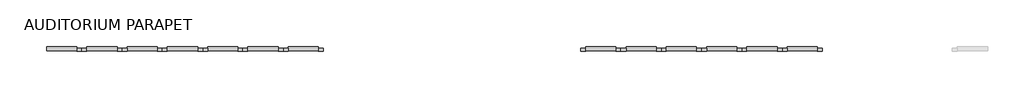
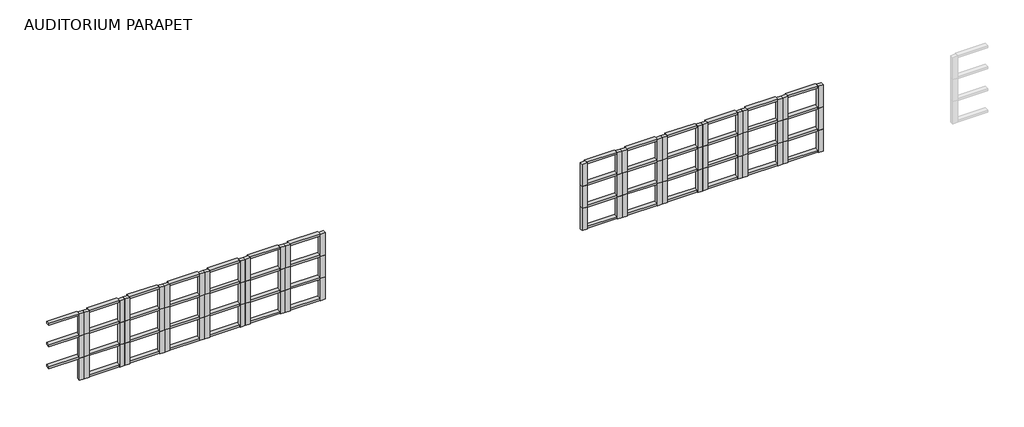
# One storey, part 4 of 6: 126 members.
"""IFC4 building model written with IfcOpenShell, lengths in millimetres."""

import ifcopenshell
import ifcopenshell.guid

model = None  # the IFC model being written
_history = None  # IfcOwnerHistory: only IFC2X3 demands one
_inside = {}  # id of a spatial element -> (the spatial element, [elements in it])
_under = {}  # id of a project, library or spatial element -> (it, [spatial elements below it])
_declared = {}  # id of a project -> (the project, [libraries it declares])
_typed = {}  # id of a type object -> (the type object, [elements of that type])
_made_of = {}  # id of a material, layer set ... -> (it, [elements and type objects made of it])


def new_model(schema):
    """Start an empty IFC model of exactly this schema.

    Asked for "IFC4X3", IfcOpenShell would pick the latest addendum, in which some entities
    have other attributes; the version numbers below select the first issue.
    IFC2X3 requires an IfcOwnerHistory on every rooted entity: one is made here for all.
    """
    global model, _history
    if schema == "IFC4X3":
        model = ifcopenshell.file(schema_version=(4, 3, 0, 0))
    else:
        model = ifcopenshell.file(schema=schema)
    _inside.clear()
    _under.clear()
    _declared.clear()
    _typed.clear()
    _made_of.clear()
    _history = None
    if model.schema == "IFC2X3":
        org = make("IfcOrganization", Name="unknown")
        user = make(
            "IfcPersonAndOrganization",
            ThePerson=make("IfcPerson", FamilyName="unknown"),
            TheOrganization=org,
        )
        app = make(
            "IfcApplication",
            ApplicationDeveloper=org,
            Version="unknown",
            ApplicationFullName="unknown",
            ApplicationIdentifier="unknown",
        )
        _history = make(
            "IfcOwnerHistory",
            OwningUser=user,
            OwningApplication=app,
            ChangeAction="ADDED",
            CreationDate=0,
        )
    return model


def make(cls, **values):
    """One entity of the class cls with the attributes given. An attribute that is None is left unset."""
    return model.create_entity(
        cls, **{name: value for name, value in values.items() if value is not None}
    )


def rooted(cls, **values):
    """An entity with a GlobalId (a new one), such as an element, a storey or a relation."""
    return make(cls, GlobalId=ifcopenshell.guid.new(), OwnerHistory=_history, **values)


def si_unit(unit_type, name, prefix=None):
    """IfcSIUnit, for example si_unit("LENGTHUNIT", "METRE", prefix="MILLI")."""
    return make("IfcSIUnit", UnitType=unit_type, Prefix=prefix, Name=name)


def assignment(units):
    """IfcUnitAssignment: the units of a project."""
    return None if units is None else make("IfcUnitAssignment", Units=units)


def point(xyz):
    """IfcCartesianPoint."""
    return None if xyz is None else make("IfcCartesianPoint", Coordinates=xyz)


def direction(xyz):
    """IfcDirection."""
    return None if xyz is None else make("IfcDirection", DirectionRatios=xyz)


def frame(location, z_axis=None, x_axis=None):
    """IfcAxis2Placement3D, a coordinate frame: its origin and axes. An axis left out is left unset."""
    return make(
        "IfcAxis2Placement3D",
        Location=point(location),
        Axis=direction(z_axis),
        RefDirection=direction(x_axis),
    )


def origin():
    """The frame at (0, 0, 0) with its axes left unset."""
    return frame((0.0, 0.0, 0.0))


def place(relative_to, where):
    """IfcLocalPlacement: puts the frame where relative to a parent placement (None: the world)."""
    return make(
        "IfcLocalPlacement", PlacementRelTo=relative_to, RelativePlacement=where
    )


def context(
    kind, dimensions, precision=None, world=None, true_north=None, identifier=None
):
    """IfcGeometricRepresentationContext, for example the 3D "Model" context."""
    return make(
        "IfcGeometricRepresentationContext",
        ContextIdentifier=identifier,
        ContextType=kind,
        CoordinateSpaceDimension=dimensions,
        Precision=precision,
        WorldCoordinateSystem=world,
        TrueNorth=true_north,
    )


def project(units=None, contexts=None):
    """IfcProject with its units and contexts."""
    return rooted(
        "IfcProject",
        Name="project",
        RepresentationContexts=contexts,
        UnitsInContext=assignment(units),
    )


def spatial(cls, under=None, at=None, **own):
    """A site, building, storey or space (cls), placed at a placement, below another one or the project."""
    s = rooted(cls, ObjectPlacement=at, **own)
    if under is not None:
        _under.setdefault(under.id(), (under, []))[1].append(s)
    return s


def polyline(points):
    """IfcPolyline through the points."""
    return make("IfcPolyline", Points=[point(p) for p in points])


def outline(outer, holes=None, kind="AREA"):
    """IfcArbitraryClosedProfileDef: a profile drawn as a closed curve; with holes, ...WithVoids."""
    if holes is None:
        return make("IfcArbitraryClosedProfileDef", ProfileType=kind, OuterCurve=outer)
    return make(
        "IfcArbitraryProfileDefWithVoids",
        ProfileType=kind,
        OuterCurve=outer,
        InnerCurves=holes,
    )


def extrude(swept, where, along, depth):
    """IfcExtrudedAreaSolid: the profile swept, set in the frame where, extruded along a direction by depth."""
    return make(
        "IfcExtrudedAreaSolid",
        SweptArea=swept,
        Position=where,
        ExtrudedDirection=direction(along),
        Depth=depth,
    )


def shape(context_of_items, identifier, shape_type, items):
    """IfcShapeRepresentation: the items that make up one representation, for example the "Body"."""
    return make(
        "IfcShapeRepresentation",
        ContextOfItems=context_of_items,
        RepresentationIdentifier=identifier,
        RepresentationType=shape_type,
        Items=items,
    )


def source(mapping_origin, context_of_items, identifier, shape_type, items):
    """IfcRepresentationMap: a shape defined once, which mapped items show again and again."""
    return make(
        "IfcRepresentationMap",
        MappingOrigin=mapping_origin,
        MappedRepresentation=shape(context_of_items, identifier, shape_type, items),
    )


def transform(
    local_origin,
    x_axis=None,
    y_axis=None,
    z_axis=None,
    scale=None,
    scale2=None,
    scale3=None,
    uniform=True,
):
    """IfcCartesianTransformationOperator3D, or its non-uniform kind. x_axis, y_axis, z_axis: its Axis1, 2, 3."""
    if uniform:
        return make(
            "IfcCartesianTransformationOperator3D",
            Axis1=direction(x_axis),
            Axis2=direction(y_axis),
            LocalOrigin=point(local_origin),
            Scale=scale,
            Axis3=direction(z_axis),
        )
    return make(
        "IfcCartesianTransformationOperator3DnonUniform",
        Axis1=direction(x_axis),
        Axis2=direction(y_axis),
        LocalOrigin=point(local_origin),
        Scale=scale,
        Axis3=direction(z_axis),
        Scale2=scale2,
        Scale3=scale3,
    )


def mapped(mapping_source, mapping_target):
    """IfcMappedItem: shows the shape of a source again, moved by a transform."""
    return make(
        "IfcMappedItem", MappingSource=mapping_source, MappingTarget=mapping_target
    )


def made_of(thing, what):
    """Note that an element or type object is made of a material, layer set ...; save() writes the relation."""
    if what is not None:
        _made_of.setdefault(what.id(), (what, []))[1].append(thing)
    return thing


def element(
    cls,
    number,
    at=None,
    inside=None,
    cuts=None,
    type_object=None,
    material=None,
    context=None,
    identifier="Body",
    shape_type=None,
    held_by="IfcProductDefinitionShape",
    body=None,
    shapes=None,
    **own,
):
    """One element of the class cls, such as IfcWall. Its Tag is "e" and its number.

    at: its placement. inside: the storey or other place that contains it. cuts: it is an
    opening in that element (IfcRelVoidsElement). A single representation is given by context,
    identifier, shape_type and body (its items); several are given by shapes. held_by: the class
    of the entity that holds the representations. save() writes the other relations.
    """
    e = rooted(cls, Tag="e%d" % number, ObjectPlacement=at, **own)
    if body is not None:
        shapes = [shape(context, identifier, shape_type, body)]
    if shapes is not None:
        e.Representation = make(held_by, Representations=shapes)
    if inside is not None:
        _inside.setdefault(inside.id(), (inside, []))[1].append(e)
    if cuts is not None:
        rooted(
            "IfcRelVoidsElement", RelatingBuildingElement=cuts, RelatedOpeningElement=e
        )
    if type_object is not None:
        _typed.setdefault(type_object.id(), (type_object, []))[1].append(e)
    return made_of(e, material)


def aggregate(whole, parts):
    """IfcRelAggregates: a whole, such as a stair, and the parts it consists of."""
    return rooted("IfcRelAggregates", RelatingObject=whole, RelatedObjects=parts)


def save(model, path):
    """Write the relations noted so far, then the file.

    IfcRelAggregates (storeys below a building ...), IfcRelContainedInSpatialStructure (elements
    in a storey), IfcRelDefinesByType, IfcRelAssociatesMaterial and IfcRelDeclares: one each for
    every whole, place, type object, material and project.
    """
    for whole, parts in _under.values():
        aggregate(whole, parts)
    for where, things in _inside.values():
        rooted(
            "IfcRelContainedInSpatialStructure",
            RelatedElements=things,
            RelatingStructure=where,
        )
    for kind, things in _typed.values():
        rooted("IfcRelDefinesByType", RelatedObjects=things, RelatingType=kind)
    for what, things in _made_of.values():
        rooted("IfcRelAssociatesMaterial", RelatedObjects=things, RelatingMaterial=what)
    for by, libraries in _declared.values():
        rooted("IfcRelDeclares", RelatingContext=by, RelatedDefinitions=libraries)
    model.write(path)


def rectangular_mullion_ace0bac6(model_context):
    return source(origin(), model_context, "Body", "SweptSolid", [
        extrude(outline(polyline([(0.0, 19.05), (0.0, -82.55), (-152.4, -82.55), (-152.4, 19.05), (0.0, 19.05)])), frame((0.0, 0.0, -711.2), z_axis=(0.0, 0.0, 1.0), x_axis=(1.0, 0.0, 0.0)), (0.0, 0.0, 1.0), 711.2),
    ])


def rectangular_mullion_13affec1(model_context):
    return source(origin(), model_context, "Body", "SweptSolid", [
        extrude(outline(polyline([(0.0, 82.55), (0.0, -19.05), (-152.4, -19.05), (-152.4, 82.55), (0.0, 82.55)])), frame((0.0, 0.0, -711.2), z_axis=(0.0, 0.0, 1.0), x_axis=(1.0, 0.0, 0.0)), (0.0, 0.0, 1.0), 711.2),
    ])


def member_73c23c35(model_context):
    return source(origin(), model_context, "Body", "SweptSolid", [
        extrude(outline(polyline([(0.0, 63.5), (0.0, -63.5), (-63.5, -63.5), (-63.5, 63.5), (0.0, 63.5)])), frame((0.0, 0.0, -914.4), z_axis=(0.0, 0.0, 1.0), x_axis=(1.0, 0.0, 0.0)), (0.0, 0.0, 1.0), 914.4),
    ])


def member_410c6227(model_context):
    return source(origin(), model_context, "Body", "SweptSolid", [
        extrude(outline(polyline([(31.75, 63.5), (31.75, -63.5), (-31.75, -63.5), (-31.75, 63.5), (31.75, 63.5)])), frame((0.0, 0.0, -914.4), z_axis=(0.0, 0.0, 1.0), x_axis=(1.0, 0.0, 0.0)), (0.0, 0.0, 1.0), 914.4),
    ])


model = new_model("IFC4")

# Units and contexts
model_context = context("Model", 3, world=origin())
ifc_project = project(units=[si_unit("LENGTHUNIT", "METRE", prefix="MILLI")], contexts=[model_context])

# Site, building, storey
site = spatial("IfcSite", under=ifc_project)
building = spatial("IfcBuilding", under=site)
storey = spatial("IfcBuildingStorey", under=building, Name="AUDITORIUM PARAPET", Elevation=6858.0)

# Members
placement = place(None, origin())
rectangular_mullion_shape = rectangular_mullion_ace0bac6(model_context)
element("IfcMember", 1, ObjectType="Rectangular Mullion", at=placement, inside=storey, context=model_context, shape_type="MappedRepresentation", body=[
    mapped(rectangular_mullion_shape, transform((-188430.2025181, 208864.5706745, 381.0), x_axis=(-1.0, 0.0, 0.0), y_axis=(0.0, 1.0, 0.0), z_axis=(0.0, 0.0, -1.0))),
])
element("IfcMember", 2, ObjectType="Rectangular Mullion", at=placement, inside=storey, context=model_context, shape_type="MappedRepresentation", body=[
    mapped(rectangular_mullion_shape, transform((-190868.6025181, 208864.5706745, 381.0), x_axis=(-1.0, 0.0, 0.0), y_axis=(0.0, 1.0, 0.0), z_axis=(0.0, 0.0, -1.0))),
])
element("IfcMember", 3, ObjectType="Rectangular Mullion", at=placement, inside=storey, context=model_context, shape_type="MappedRepresentation", body=[
    mapped(rectangular_mullion_shape, transform((-193307.0025181, 208864.5706745, 381.0), x_axis=(-1.0, 0.0, 0.0), y_axis=(0.0, 1.0, 0.0), z_axis=(0.0, 0.0, -1.0))),
])
element("IfcMember", 4, ObjectType="Rectangular Mullion", at=placement, inside=storey, context=model_context, shape_type="MappedRepresentation", body=[
    mapped(rectangular_mullion_shape, transform((-205978.0344362, 208864.5706745, 914.4), x_axis=(-1.0, 0.0, 0.0), y_axis=(0.0, 1.0, 0.0), z_axis=(0.0, 0.0, -1.0))),
])
element("IfcMember", 5, ObjectType="Rectangular Mullion", at=placement, inside=storey, context=model_context, shape_type="MappedRepresentation", body=[
    mapped(rectangular_mullion_shape, transform((-203539.6344362, 208864.5706745, 914.4), x_axis=(-1.0, 0.0, 0.0), y_axis=(0.0, 1.0, 0.0), z_axis=(0.0, 0.0, -1.0))),
])
element("IfcMember", 6, ObjectType="Rectangular Mullion", at=placement, inside=storey, context=model_context, shape_type="MappedRepresentation", body=[
    mapped(rectangular_mullion_shape, transform((-208416.4344362, 208864.5706745, 914.4), x_axis=(-1.0, 0.0, 0.0), y_axis=(0.0, 1.0, 0.0), z_axis=(0.0, 0.0, -1.0))),
])
element("IfcMember", 7, ObjectType="Rectangular Mullion", at=placement, inside=storey, context=model_context, shape_type="MappedRepresentation", body=[
    mapped(rectangular_mullion_shape, transform((-187211.0025181, 208864.5706745, 2514.6), x_axis=(1.0, 0.0, 0.0), y_axis=(0.0, 1.0, 0.0), z_axis=(0.0, 0.0, 1.0))),
])
element("IfcMember", 8, ObjectType="Rectangular Mullion", at=placement, inside=storey, context=model_context, shape_type="MappedRepresentation", body=[
    mapped(rectangular_mullion_shape, transform((-189649.4025181, 208864.5706745, 2514.6), x_axis=(1.0, 0.0, 0.0), y_axis=(0.0, 1.0, 0.0), z_axis=(0.0, 0.0, 1.0))),
])
element("IfcMember", 9, ObjectType="Rectangular Mullion", at=placement, inside=storey, context=model_context, shape_type="MappedRepresentation", body=[
    mapped(rectangular_mullion_shape, transform((-192087.8025181, 208864.5706745, 2514.6), x_axis=(1.0, 0.0, 0.0), y_axis=(0.0, 1.0, 0.0), z_axis=(0.0, 0.0, 1.0))),
])
element("IfcMember", 10, ObjectType="Rectangular Mullion", at=placement, inside=storey, context=model_context, shape_type="MappedRepresentation", body=[
    mapped(rectangular_mullion_shape, transform((-204758.8344362, 208864.5706745, 3048.0), x_axis=(1.0, 0.0, 0.0), y_axis=(0.0, 1.0, 0.0), z_axis=(0.0, 0.0, 1.0))),
])
element("IfcMember", 11, ObjectType="Rectangular Mullion", at=placement, inside=storey, context=model_context, shape_type="MappedRepresentation", body=[
    mapped(rectangular_mullion_shape, transform((-202320.4344362, 208864.5706745, 3048.0), x_axis=(1.0, 0.0, 0.0), y_axis=(0.0, 1.0, 0.0), z_axis=(0.0, 0.0, 1.0))),
])
element("IfcMember", 12, ObjectType="Rectangular Mullion", at=placement, inside=storey, context=model_context, shape_type="MappedRepresentation", body=[
    mapped(rectangular_mullion_shape, transform((-207197.2344362, 208864.5706745, 3048.0), x_axis=(1.0, 0.0, 0.0), y_axis=(0.0, 1.0, 0.0), z_axis=(0.0, 0.0, 1.0))),
])
rectangular_mullion_2_shape = rectangular_mullion_13affec1(model_context)
element("IfcMember", 13, ObjectType="Rectangular Mullion", at=placement, inside=storey, context=model_context, shape_type="MappedRepresentation", body=[
    mapped(rectangular_mullion_2_shape, transform((-188430.2025181, 208864.5706745, 381.0), x_axis=(1.0, 0.0, 0.0), y_axis=(0.0, -1.0, 0.0), z_axis=(0.0, 0.0, -1.0))),
])
element("IfcMember", 14, ObjectType="Rectangular Mullion", at=placement, inside=storey, context=model_context, shape_type="MappedRepresentation", body=[
    mapped(rectangular_mullion_2_shape, transform((-190868.6025181, 208864.5706745, 381.0), x_axis=(1.0, 0.0, 0.0), y_axis=(0.0, -1.0, 0.0), z_axis=(0.0, 0.0, -1.0))),
])
element("IfcMember", 15, ObjectType="Rectangular Mullion", at=placement, inside=storey, context=model_context, shape_type="MappedRepresentation", body=[
    mapped(rectangular_mullion_2_shape, transform((-185991.8025181, 208864.5706745, 381.0), x_axis=(1.0, 0.0, 0.0), y_axis=(0.0, -1.0, 0.0), z_axis=(0.0, 0.0, -1.0))),
])
element("IfcMember", 16, ObjectType="Rectangular Mullion", at=placement, inside=storey, context=model_context, shape_type="MappedRepresentation", body=[
    mapped(rectangular_mullion_2_shape, transform((-205978.0344362, 208864.5706745, 914.4), x_axis=(1.0, 0.0, 0.0), y_axis=(0.0, -1.0, 0.0), z_axis=(0.0, 0.0, -1.0))),
])
element("IfcMember", 17, ObjectType="Rectangular Mullion", at=placement, inside=storey, context=model_context, shape_type="MappedRepresentation", body=[
    mapped(rectangular_mullion_2_shape, transform((-203539.6344362, 208864.5706745, 914.4), x_axis=(1.0, 0.0, 0.0), y_axis=(0.0, -1.0, 0.0), z_axis=(0.0, 0.0, -1.0))),
])
element("IfcMember", 18, ObjectType="Rectangular Mullion", at=placement, inside=storey, context=model_context, shape_type="MappedRepresentation", body=[
    mapped(rectangular_mullion_2_shape, transform((-201101.2344362, 208864.5706745, 914.4), x_axis=(1.0, 0.0, 0.0), y_axis=(0.0, -1.0, 0.0), z_axis=(0.0, 0.0, -1.0))),
])
element("IfcMember", 19, ObjectType="Rectangular Mullion", at=placement, inside=storey, context=model_context, shape_type="MappedRepresentation", body=[
    mapped(rectangular_mullion_2_shape, transform((-208416.4344362, 208864.5706745, 914.4), x_axis=(1.0, 0.0, 0.0), y_axis=(0.0, -1.0, 0.0), z_axis=(0.0, 0.0, -1.0))),
])
element("IfcMember", 20, ObjectType="Rectangular Mullion", at=placement, inside=storey, context=model_context, shape_type="MappedRepresentation", body=[
    mapped(rectangular_mullion_2_shape, transform((-189649.4025181, 208864.5706745, 2514.6), x_axis=(-1.0, 0.0, 0.0), y_axis=(0.0, -1.0, 0.0), z_axis=(0.0, 0.0, 1.0))),
])
element("IfcMember", 21, ObjectType="Rectangular Mullion", at=placement, inside=storey, context=model_context, shape_type="MappedRepresentation", body=[
    mapped(rectangular_mullion_2_shape, transform((-192087.8025181, 208864.5706745, 2514.6), x_axis=(-1.0, 0.0, 0.0), y_axis=(0.0, -1.0, 0.0), z_axis=(0.0, 0.0, 1.0))),
])
element("IfcMember", 22, ObjectType="Rectangular Mullion", at=placement, inside=storey, context=model_context, shape_type="MappedRepresentation", body=[
    mapped(rectangular_mullion_2_shape, transform((-187211.0025181, 208864.5706745, 2514.6), x_axis=(-1.0, 0.0, 0.0), y_axis=(0.0, -1.0, 0.0), z_axis=(0.0, 0.0, 1.0))),
])
element("IfcMember", 23, ObjectType="Rectangular Mullion", at=placement, inside=storey, context=model_context, shape_type="MappedRepresentation", body=[
    mapped(rectangular_mullion_2_shape, transform((-207197.2344362, 208864.5706745, 3048.0), x_axis=(-1.0, 0.0, 0.0), y_axis=(0.0, -1.0, 0.0), z_axis=(0.0, 0.0, 1.0))),
])
element("IfcMember", 24, ObjectType="Rectangular Mullion", at=placement, inside=storey, context=model_context, shape_type="MappedRepresentation", body=[
    mapped(rectangular_mullion_2_shape, transform((-204758.8344362, 208864.5706745, 3048.0), x_axis=(-1.0, 0.0, 0.0), y_axis=(0.0, -1.0, 0.0), z_axis=(0.0, 0.0, 1.0))),
])
element("IfcMember", 25, ObjectType="Rectangular Mullion", at=placement, inside=storey, context=model_context, shape_type="MappedRepresentation", body=[
    mapped(rectangular_mullion_2_shape, transform((-202320.4344362, 208864.5706745, 3048.0), x_axis=(-1.0, 0.0, 0.0), y_axis=(0.0, -1.0, 0.0), z_axis=(0.0, 0.0, 1.0))),
])
element("IfcMember", 26, ObjectType="Rectangular Mullion", at=placement, inside=storey, context=model_context, shape_type="MappedRepresentation", body=[
    mapped(rectangular_mullion_2_shape, transform((-190868.6025181, 208864.5706745, 1803.4), x_axis=(1.0, 0.0, 0.0), y_axis=(0.0, -1.0, 0.0), z_axis=(0.0, 0.0, -1.0))),
])
element("IfcMember", 27, ObjectType="Rectangular Mullion", at=placement, inside=storey, context=model_context, shape_type="MappedRepresentation", body=[
    mapped(rectangular_mullion_2_shape, transform((-188430.2025181, 208864.5706745, 1803.4), x_axis=(1.0, 0.0, 0.0), y_axis=(0.0, -1.0, 0.0), z_axis=(0.0, 0.0, -1.0))),
])
element("IfcMember", 28, ObjectType="Rectangular Mullion", at=placement, inside=storey, context=model_context, shape_type="MappedRepresentation", body=[
    mapped(rectangular_mullion_2_shape, transform((-192087.8025181, 208864.5706745, 1803.4), x_axis=(-1.0, 0.0, 0.0), y_axis=(0.0, -1.0, 0.0), z_axis=(0.0, 0.0, 1.0))),
])
element("IfcMember", 29, ObjectType="Rectangular Mullion", at=placement, inside=storey, context=model_context, shape_type="MappedRepresentation", body=[
    mapped(rectangular_mullion_2_shape, transform((-189649.4025181, 208864.5706745, 1803.4), x_axis=(-1.0, 0.0, 0.0), y_axis=(0.0, -1.0, 0.0), z_axis=(0.0, 0.0, 1.0))),
])
element("IfcMember", 30, ObjectType="Rectangular Mullion", at=placement, inside=storey, context=model_context, shape_type="MappedRepresentation", body=[
    mapped(rectangular_mullion_2_shape, transform((-190868.6025181, 208864.5706745, 1092.2), x_axis=(1.0, 0.0, 0.0), y_axis=(0.0, -1.0, 0.0), z_axis=(0.0, 0.0, -1.0))),
])
element("IfcMember", 31, ObjectType="Rectangular Mullion", at=placement, inside=storey, context=model_context, shape_type="MappedRepresentation", body=[
    mapped(rectangular_mullion_2_shape, transform((-188430.2025181, 208864.5706745, 1092.2), x_axis=(1.0, 0.0, 0.0), y_axis=(0.0, -1.0, 0.0), z_axis=(0.0, 0.0, -1.0))),
])
element("IfcMember", 32, ObjectType="Rectangular Mullion", at=placement, inside=storey, context=model_context, shape_type="MappedRepresentation", body=[
    mapped(rectangular_mullion_2_shape, transform((-192087.8025181, 208864.5706745, 1092.2), x_axis=(-1.0, 0.0, 0.0), y_axis=(0.0, -1.0, 0.0), z_axis=(0.0, 0.0, 1.0))),
])
element("IfcMember", 33, ObjectType="Rectangular Mullion", at=placement, inside=storey, context=model_context, shape_type="MappedRepresentation", body=[
    mapped(rectangular_mullion_2_shape, transform((-189649.4025181, 208864.5706745, 1092.2), x_axis=(-1.0, 0.0, 0.0), y_axis=(0.0, -1.0, 0.0), z_axis=(0.0, 0.0, 1.0))),
])
element("IfcMember", 34, ObjectType="Rectangular Mullion", at=placement, inside=storey, context=model_context, shape_type="MappedRepresentation", body=[
    mapped(rectangular_mullion_shape, transform((-193307.0025181, 208864.5706745, 1803.4), x_axis=(-1.0, 0.0, 0.0), y_axis=(0.0, 1.0, 0.0), z_axis=(0.0, 0.0, -1.0))),
])
element("IfcMember", 35, ObjectType="Rectangular Mullion", at=placement, inside=storey, context=model_context, shape_type="MappedRepresentation", body=[
    mapped(rectangular_mullion_shape, transform((-190868.6025181, 208864.5706745, 1803.4), x_axis=(-1.0, 0.0, 0.0), y_axis=(0.0, 1.0, 0.0), z_axis=(0.0, 0.0, -1.0))),
])
element("IfcMember", 36, ObjectType="Rectangular Mullion", at=placement, inside=storey, context=model_context, shape_type="MappedRepresentation", body=[
    mapped(rectangular_mullion_shape, transform((-188430.2025181, 208864.5706745, 1803.4), x_axis=(-1.0, 0.0, 0.0), y_axis=(0.0, 1.0, 0.0), z_axis=(0.0, 0.0, -1.0))),
])
element("IfcMember", 37, ObjectType="Rectangular Mullion", at=placement, inside=storey, context=model_context, shape_type="MappedRepresentation", body=[
    mapped(rectangular_mullion_shape, transform((-208416.4344362, 208864.5706745, 2336.8), x_axis=(-1.0, 0.0, 0.0), y_axis=(0.0, 1.0, 0.0), z_axis=(0.0, 0.0, -1.0))),
])
element("IfcMember", 38, ObjectType="Rectangular Mullion", at=placement, inside=storey, context=model_context, shape_type="MappedRepresentation", body=[
    mapped(rectangular_mullion_shape, transform((-192087.8025181, 208864.5706745, 1803.4), x_axis=(1.0, 0.0, 0.0), y_axis=(0.0, 1.0, 0.0), z_axis=(0.0, 0.0, 1.0))),
])
element("IfcMember", 39, ObjectType="Rectangular Mullion", at=placement, inside=storey, context=model_context, shape_type="MappedRepresentation", body=[
    mapped(rectangular_mullion_shape, transform((-189649.4025181, 208864.5706745, 1803.4), x_axis=(1.0, 0.0, 0.0), y_axis=(0.0, 1.0, 0.0), z_axis=(0.0, 0.0, 1.0))),
])
element("IfcMember", 40, ObjectType="Rectangular Mullion", at=placement, inside=storey, context=model_context, shape_type="MappedRepresentation", body=[
    mapped(rectangular_mullion_shape, transform((-187211.0025181, 208864.5706745, 1803.4), x_axis=(1.0, 0.0, 0.0), y_axis=(0.0, 1.0, 0.0), z_axis=(0.0, 0.0, 1.0))),
])
element("IfcMember", 41, ObjectType="Rectangular Mullion", at=placement, inside=storey, context=model_context, shape_type="MappedRepresentation", body=[
    mapped(rectangular_mullion_shape, transform((-207197.2344362, 208864.5706745, 2336.8), x_axis=(1.0, 0.0, 0.0), y_axis=(0.0, 1.0, 0.0), z_axis=(0.0, 0.0, 1.0))),
])
element("IfcMember", 42, ObjectType="Rectangular Mullion", at=placement, inside=storey, context=model_context, shape_type="MappedRepresentation", body=[
    mapped(rectangular_mullion_shape, transform((-193307.0025181, 208864.5706745, 1092.2), x_axis=(-1.0, 0.0, 0.0), y_axis=(0.0, 1.0, 0.0), z_axis=(0.0, 0.0, -1.0))),
])
element("IfcMember", 43, ObjectType="Rectangular Mullion", at=placement, inside=storey, context=model_context, shape_type="MappedRepresentation", body=[
    mapped(rectangular_mullion_shape, transform((-190868.6025181, 208864.5706745, 1092.2), x_axis=(-1.0, 0.0, 0.0), y_axis=(0.0, 1.0, 0.0), z_axis=(0.0, 0.0, -1.0))),
])
element("IfcMember", 44, ObjectType="Rectangular Mullion", at=placement, inside=storey, context=model_context, shape_type="MappedRepresentation", body=[
    mapped(rectangular_mullion_shape, transform((-188430.2025181, 208864.5706745, 1092.2), x_axis=(-1.0, 0.0, 0.0), y_axis=(0.0, 1.0, 0.0), z_axis=(0.0, 0.0, -1.0))),
])
element("IfcMember", 45, ObjectType="Rectangular Mullion", at=placement, inside=storey, context=model_context, shape_type="MappedRepresentation", body=[
    mapped(rectangular_mullion_shape, transform((-208416.4344362, 208864.5706745, 1625.6), x_axis=(-1.0, 0.0, 0.0), y_axis=(0.0, 1.0, 0.0), z_axis=(0.0, 0.0, -1.0))),
])
element("IfcMember", 46, ObjectType="Rectangular Mullion", at=placement, inside=storey, context=model_context, shape_type="MappedRepresentation", body=[
    mapped(rectangular_mullion_shape, transform((-192087.8025181, 208864.5706745, 1092.2), x_axis=(1.0, 0.0, 0.0), y_axis=(0.0, 1.0, 0.0), z_axis=(0.0, 0.0, 1.0))),
])
element("IfcMember", 47, ObjectType="Rectangular Mullion", at=placement, inside=storey, context=model_context, shape_type="MappedRepresentation", body=[
    mapped(rectangular_mullion_shape, transform((-189649.4025181, 208864.5706745, 1092.2), x_axis=(1.0, 0.0, 0.0), y_axis=(0.0, 1.0, 0.0), z_axis=(0.0, 0.0, 1.0))),
])
element("IfcMember", 48, ObjectType="Rectangular Mullion", at=placement, inside=storey, context=model_context, shape_type="MappedRepresentation", body=[
    mapped(rectangular_mullion_shape, transform((-187211.0025181, 208864.5706745, 1092.2), x_axis=(1.0, 0.0, 0.0), y_axis=(0.0, 1.0, 0.0), z_axis=(0.0, 0.0, 1.0))),
])
element("IfcMember", 49, ObjectType="Rectangular Mullion", at=placement, inside=storey, context=model_context, shape_type="MappedRepresentation", body=[
    mapped(rectangular_mullion_shape, transform((-207197.2344362, 208864.5706745, 1625.6), x_axis=(1.0, 0.0, 0.0), y_axis=(0.0, 1.0, 0.0), z_axis=(0.0, 0.0, 1.0))),
])
element("IfcMember", 50, ObjectType="Rectangular Mullion", at=placement, inside=storey, context=model_context, shape_type="MappedRepresentation", body=[
    mapped(rectangular_mullion_shape, transform((-203539.6344362, 208864.5706745, 2336.8), x_axis=(-1.0, 0.0, 0.0), y_axis=(0.0, 1.0, 0.0), z_axis=(0.0, 0.0, -1.0))),
])
element("IfcMember", 51, ObjectType="Rectangular Mullion", at=placement, inside=storey, context=model_context, shape_type="MappedRepresentation", body=[
    mapped(rectangular_mullion_shape, transform((-205978.0344362, 208864.5706745, 2336.8), x_axis=(-1.0, 0.0, 0.0), y_axis=(0.0, 1.0, 0.0), z_axis=(0.0, 0.0, -1.0))),
])
element("IfcMember", 52, ObjectType="Rectangular Mullion", at=placement, inside=storey, context=model_context, shape_type="MappedRepresentation", body=[
    mapped(rectangular_mullion_shape, transform((-202320.4344362, 208864.5706745, 2336.8), x_axis=(1.0, 0.0, 0.0), y_axis=(0.0, 1.0, 0.0), z_axis=(0.0, 0.0, 1.0))),
])
element("IfcMember", 53, ObjectType="Rectangular Mullion", at=placement, inside=storey, context=model_context, shape_type="MappedRepresentation", body=[
    mapped(rectangular_mullion_shape, transform((-204758.8344362, 208864.5706745, 2336.8), x_axis=(1.0, 0.0, 0.0), y_axis=(0.0, 1.0, 0.0), z_axis=(0.0, 0.0, 1.0))),
])
element("IfcMember", 54, ObjectType="Rectangular Mullion", at=placement, inside=storey, context=model_context, shape_type="MappedRepresentation", body=[
    mapped(rectangular_mullion_shape, transform((-203539.6344362, 208864.5706745, 1625.6), x_axis=(-1.0, 0.0, 0.0), y_axis=(0.0, 1.0, 0.0), z_axis=(0.0, 0.0, -1.0))),
])
element("IfcMember", 55, ObjectType="Rectangular Mullion", at=placement, inside=storey, context=model_context, shape_type="MappedRepresentation", body=[
    mapped(rectangular_mullion_shape, transform((-205978.0344362, 208864.5706745, 1625.6), x_axis=(-1.0, 0.0, 0.0), y_axis=(0.0, 1.0, 0.0), z_axis=(0.0, 0.0, -1.0))),
])
element("IfcMember", 56, ObjectType="Rectangular Mullion", at=placement, inside=storey, context=model_context, shape_type="MappedRepresentation", body=[
    mapped(rectangular_mullion_shape, transform((-202320.4344362, 208864.5706745, 1625.6), x_axis=(1.0, 0.0, 0.0), y_axis=(0.0, 1.0, 0.0), z_axis=(0.0, 0.0, 1.0))),
])
element("IfcMember", 57, ObjectType="Rectangular Mullion", at=placement, inside=storey, context=model_context, shape_type="MappedRepresentation", body=[
    mapped(rectangular_mullion_shape, transform((-204758.8344362, 208864.5706745, 1625.6), x_axis=(1.0, 0.0, 0.0), y_axis=(0.0, 1.0, 0.0), z_axis=(0.0, 0.0, 1.0))),
])
element("IfcMember", 58, ObjectType="Rectangular Mullion", at=placement, inside=storey, context=model_context, shape_type="MappedRepresentation", body=[
    mapped(rectangular_mullion_2_shape, transform((-185991.8025181, 208864.5706745, 1803.4), x_axis=(1.0, 0.0, 0.0), y_axis=(0.0, -1.0, 0.0), z_axis=(0.0, 0.0, -1.0))),
])
element("IfcMember", 59, ObjectType="Rectangular Mullion", at=placement, inside=storey, context=model_context, shape_type="MappedRepresentation", body=[
    mapped(rectangular_mullion_2_shape, transform((-201101.2344362, 208864.5706745, 2336.8), x_axis=(1.0, 0.0, 0.0), y_axis=(0.0, -1.0, 0.0), z_axis=(0.0, 0.0, -1.0))),
])
element("IfcMember", 60, ObjectType="Rectangular Mullion", at=placement, inside=storey, context=model_context, shape_type="MappedRepresentation", body=[
    mapped(rectangular_mullion_2_shape, transform((-203539.6344362, 208864.5706745, 2336.8), x_axis=(1.0, 0.0, 0.0), y_axis=(0.0, -1.0, 0.0), z_axis=(0.0, 0.0, -1.0))),
])
element("IfcMember", 61, ObjectType="Rectangular Mullion", at=placement, inside=storey, context=model_context, shape_type="MappedRepresentation", body=[
    mapped(rectangular_mullion_2_shape, transform((-205978.0344362, 208864.5706745, 2336.8), x_axis=(1.0, 0.0, 0.0), y_axis=(0.0, -1.0, 0.0), z_axis=(0.0, 0.0, -1.0))),
])
element("IfcMember", 62, ObjectType="Rectangular Mullion", at=placement, inside=storey, context=model_context, shape_type="MappedRepresentation", body=[
    mapped(rectangular_mullion_2_shape, transform((-208416.4344362, 208864.5706745, 2336.8), x_axis=(1.0, 0.0, 0.0), y_axis=(0.0, -1.0, 0.0), z_axis=(0.0, 0.0, -1.0))),
])
element("IfcMember", 63, ObjectType="Rectangular Mullion", at=placement, inside=storey, context=model_context, shape_type="MappedRepresentation", body=[
    mapped(rectangular_mullion_2_shape, transform((-187211.0025181, 208864.5706745, 1803.4), x_axis=(-1.0, 0.0, 0.0), y_axis=(0.0, -1.0, 0.0), z_axis=(0.0, 0.0, 1.0))),
])
element("IfcMember", 64, ObjectType="Rectangular Mullion", at=placement, inside=storey, context=model_context, shape_type="MappedRepresentation", body=[
    mapped(rectangular_mullion_2_shape, transform((-202320.4344362, 208864.5706745, 2336.8), x_axis=(-1.0, 0.0, 0.0), y_axis=(0.0, -1.0, 0.0), z_axis=(0.0, 0.0, 1.0))),
])
element("IfcMember", 65, ObjectType="Rectangular Mullion", at=placement, inside=storey, context=model_context, shape_type="MappedRepresentation", body=[
    mapped(rectangular_mullion_2_shape, transform((-204758.8344362, 208864.5706745, 2336.8), x_axis=(-1.0, 0.0, 0.0), y_axis=(0.0, -1.0, 0.0), z_axis=(0.0, 0.0, 1.0))),
])
element("IfcMember", 66, ObjectType="Rectangular Mullion", at=placement, inside=storey, context=model_context, shape_type="MappedRepresentation", body=[
    mapped(rectangular_mullion_2_shape, transform((-207197.2344362, 208864.5706745, 2336.8), x_axis=(-1.0, 0.0, 0.0), y_axis=(0.0, -1.0, 0.0), z_axis=(0.0, 0.0, 1.0))),
])
element("IfcMember", 67, ObjectType="Rectangular Mullion", at=placement, inside=storey, context=model_context, shape_type="MappedRepresentation", body=[
    mapped(rectangular_mullion_2_shape, transform((-185991.8025181, 208864.5706745, 1092.2), x_axis=(1.0, 0.0, 0.0), y_axis=(0.0, -1.0, 0.0), z_axis=(0.0, 0.0, -1.0))),
])
element("IfcMember", 68, ObjectType="Rectangular Mullion", at=placement, inside=storey, context=model_context, shape_type="MappedRepresentation", body=[
    mapped(rectangular_mullion_2_shape, transform((-201101.2344362, 208864.5706745, 1625.6), x_axis=(1.0, 0.0, 0.0), y_axis=(0.0, -1.0, 0.0), z_axis=(0.0, 0.0, -1.0))),
])
element("IfcMember", 69, ObjectType="Rectangular Mullion", at=placement, inside=storey, context=model_context, shape_type="MappedRepresentation", body=[
    mapped(rectangular_mullion_2_shape, transform((-203539.6344362, 208864.5706745, 1625.6), x_axis=(1.0, 0.0, 0.0), y_axis=(0.0, -1.0, 0.0), z_axis=(0.0, 0.0, -1.0))),
])
element("IfcMember", 70, ObjectType="Rectangular Mullion", at=placement, inside=storey, context=model_context, shape_type="MappedRepresentation", body=[
    mapped(rectangular_mullion_2_shape, transform((-205978.0344362, 208864.5706745, 1625.6), x_axis=(1.0, 0.0, 0.0), y_axis=(0.0, -1.0, 0.0), z_axis=(0.0, 0.0, -1.0))),
])
element("IfcMember", 71, ObjectType="Rectangular Mullion", at=placement, inside=storey, context=model_context, shape_type="MappedRepresentation", body=[
    mapped(rectangular_mullion_2_shape, transform((-208416.4344362, 208864.5706745, 1625.6), x_axis=(1.0, 0.0, 0.0), y_axis=(0.0, -1.0, 0.0), z_axis=(0.0, 0.0, -1.0))),
])
element("IfcMember", 72, ObjectType="Rectangular Mullion", at=placement, inside=storey, context=model_context, shape_type="MappedRepresentation", body=[
    mapped(rectangular_mullion_2_shape, transform((-187211.0025181, 208864.5706745, 1092.2), x_axis=(-1.0, 0.0, 0.0), y_axis=(0.0, -1.0, 0.0), z_axis=(0.0, 0.0, 1.0))),
])
element("IfcMember", 73, ObjectType="Rectangular Mullion", at=placement, inside=storey, context=model_context, shape_type="MappedRepresentation", body=[
    mapped(rectangular_mullion_2_shape, transform((-202320.4344362, 208864.5706745, 1625.6), x_axis=(-1.0, 0.0, 0.0), y_axis=(0.0, -1.0, 0.0), z_axis=(0.0, 0.0, 1.0))),
])
element("IfcMember", 74, ObjectType="Rectangular Mullion", at=placement, inside=storey, context=model_context, shape_type="MappedRepresentation", body=[
    mapped(rectangular_mullion_2_shape, transform((-204758.8344362, 208864.5706745, 1625.6), x_axis=(-1.0, 0.0, 0.0), y_axis=(0.0, -1.0, 0.0), z_axis=(0.0, 0.0, 1.0))),
])
element("IfcMember", 75, ObjectType="Rectangular Mullion", at=placement, inside=storey, context=model_context, shape_type="MappedRepresentation", body=[
    mapped(rectangular_mullion_2_shape, transform((-207197.2344362, 208864.5706745, 1625.6), x_axis=(-1.0, 0.0, 0.0), y_axis=(0.0, -1.0, 0.0), z_axis=(0.0, 0.0, 1.0))),
])
member_shape = member_73c23c35(model_context)
element("IfcMember", 76, ObjectType="Rectangular Mullion : 2.5\" x 5\" rectangular", at=placement, inside=storey, context=model_context, shape_type="MappedRepresentation", body=[
    mapped(member_shape, transform((-188277.8025181, 208864.5706745, 2514.6), x_axis=(0.0, 0.0, 1.0), y_axis=(0.0, 1.0, 0.0), z_axis=(-1.0, 0.0, 0.0))),
])
element("IfcMember", 77, ObjectType="Rectangular Mullion : 2.5\" x 5\" rectangular", at=placement, inside=storey, context=model_context, shape_type="MappedRepresentation", body=[
    mapped(member_shape, transform((-190716.2025181, 208864.5706745, 2514.6), x_axis=(0.0, 0.0, 1.0), y_axis=(0.0, 1.0, 0.0), z_axis=(-1.0, 0.0, 0.0))),
])
element("IfcMember", 78, ObjectType="Rectangular Mullion : 2.5\" x 5\" rectangular", at=placement, inside=storey, context=model_context, shape_type="MappedRepresentation", body=[
    mapped(member_shape, transform((-193154.6025181, 208864.5706745, 2514.6), x_axis=(0.0, 0.0, 1.0), y_axis=(0.0, 1.0, 0.0), z_axis=(-1.0, 0.0, 0.0))),
])
element("IfcMember", 79, ObjectType="Rectangular Mullion : 2.5\" x 5\" rectangular", at=placement, inside=storey, context=model_context, shape_type="MappedRepresentation", body=[
    mapped(member_shape, transform((-205825.6344362, 208864.5706745, 3048.0), x_axis=(0.0, 0.0, 1.0), y_axis=(0.0, 1.0, 0.0), z_axis=(-1.0, 0.0, 0.0))),
])
element("IfcMember", 80, ObjectType="Rectangular Mullion : 2.5\" x 5\" rectangular", at=placement, inside=storey, context=model_context, shape_type="MappedRepresentation", body=[
    mapped(member_shape, transform((-203387.2344362, 208864.5706745, 3048.0), x_axis=(0.0, 0.0, 1.0), y_axis=(0.0, 1.0, 0.0), z_axis=(-1.0, 0.0, 0.0))),
])
element("IfcMember", 81, ObjectType="Rectangular Mullion : 2.5\" x 5\" rectangular", at=placement, inside=storey, context=model_context, shape_type="MappedRepresentation", body=[
    mapped(member_shape, transform((-208264.0344362, 208864.5706745, 3048.0), x_axis=(0.0, 0.0, 1.0), y_axis=(0.0, 1.0, 0.0), z_axis=(-1.0, 0.0, 0.0))),
])
element("IfcMember", 82, ObjectType="Rectangular Mullion : 2.5\" x 5\" rectangular", at=placement, inside=storey, context=model_context, shape_type="MappedRepresentation", body=[
    mapped(member_shape, transform((-187363.4025181, 208864.5706745, 381.0), x_axis=(0.0, 0.0, -1.0), y_axis=(0.0, 1.0, 0.0), z_axis=(1.0, 0.0, 0.0))),
])
element("IfcMember", 83, ObjectType="Rectangular Mullion : 2.5\" x 5\" rectangular", at=placement, inside=storey, context=model_context, shape_type="MappedRepresentation", body=[
    mapped(member_shape, transform((-189801.8025181, 208864.5706745, 381.0), x_axis=(0.0, 0.0, -1.0), y_axis=(0.0, 1.0, 0.0), z_axis=(1.0, 0.0, 0.0))),
])
element("IfcMember", 84, ObjectType="Rectangular Mullion : 2.5\" x 5\" rectangular", at=placement, inside=storey, context=model_context, shape_type="MappedRepresentation", body=[
    mapped(member_shape, transform((-192240.2025181, 208864.5706745, 381.0), x_axis=(0.0, 0.0, -1.0), y_axis=(0.0, 1.0, 0.0), z_axis=(1.0, 0.0, 0.0))),
])
element("IfcMember", 85, ObjectType="Rectangular Mullion : 2.5\" x 5\" rectangular", at=placement, inside=storey, context=model_context, shape_type="MappedRepresentation", body=[
    mapped(member_shape, transform((-204911.2344362, 208864.5706745, 914.4), x_axis=(0.0, 0.0, -1.0), y_axis=(0.0, 1.0, 0.0), z_axis=(1.0, 0.0, 0.0))),
])
element("IfcMember", 86, ObjectType="Rectangular Mullion : 2.5\" x 5\" rectangular", at=placement, inside=storey, context=model_context, shape_type="MappedRepresentation", body=[
    mapped(member_shape, transform((-202472.8344362, 208864.5706745, 914.4), x_axis=(0.0, 0.0, -1.0), y_axis=(0.0, 1.0, 0.0), z_axis=(1.0, 0.0, 0.0))),
])
element("IfcMember", 87, ObjectType="Rectangular Mullion : 2.5\" x 5\" rectangular", at=placement, inside=storey, context=model_context, shape_type="MappedRepresentation", body=[
    mapped(member_shape, transform((-207349.6344362, 208864.5706745, 914.4), x_axis=(0.0, 0.0, -1.0), y_axis=(0.0, 1.0, 0.0), z_axis=(1.0, 0.0, 0.0))),
])
member_2_shape = member_410c6227(model_context)
element("IfcMember", 88, ObjectType="Rectangular Mullion : 2.5\" x 5\" rectangular", at=placement, inside=storey, context=model_context, shape_type="MappedRepresentation", body=[
    mapped(member_2_shape, transform((-193154.6025181, 208864.5706745, 1803.4), x_axis=(0.0, 0.0, 1.0), y_axis=(0.0, 1.0, 0.0), z_axis=(-1.0, 0.0, 0.0))),
])
element("IfcMember", 89, ObjectType="Rectangular Mullion : 2.5\" x 5\" rectangular", at=placement, inside=storey, context=model_context, shape_type="MappedRepresentation", body=[
    mapped(member_2_shape, transform((-193154.6025181, 208864.5706745, 1092.2), x_axis=(0.0, 0.0, 1.0), y_axis=(0.0, 1.0, 0.0), z_axis=(-1.0, 0.0, 0.0))),
])
element("IfcMember", 90, ObjectType="Rectangular Mullion : 2.5\" x 5\" rectangular", at=placement, inside=storey, context=model_context, shape_type="MappedRepresentation", body=[
    mapped(member_2_shape, transform((-190716.2025181, 208864.5706745, 1803.4), x_axis=(0.0, 0.0, 1.0), y_axis=(0.0, 1.0, 0.0), z_axis=(-1.0, 0.0, 0.0))),
])
element("IfcMember", 91, ObjectType="Rectangular Mullion : 2.5\" x 5\" rectangular", at=placement, inside=storey, context=model_context, shape_type="MappedRepresentation", body=[
    mapped(member_2_shape, transform((-190716.2025181, 208864.5706745, 1092.2), x_axis=(0.0, 0.0, 1.0), y_axis=(0.0, 1.0, 0.0), z_axis=(-1.0, 0.0, 0.0))),
])
element("IfcMember", 92, ObjectType="Rectangular Mullion : 2.5\" x 5\" rectangular", at=placement, inside=storey, context=model_context, shape_type="MappedRepresentation", body=[
    mapped(member_2_shape, transform((-188277.8025181, 208864.5706745, 1092.2), x_axis=(0.0, 0.0, 1.0), y_axis=(0.0, 1.0, 0.0), z_axis=(-1.0, 0.0, 0.0))),
])
element("IfcMember", 93, ObjectType="Rectangular Mullion : 2.5\" x 5\" rectangular", at=placement, inside=storey, context=model_context, shape_type="MappedRepresentation", body=[
    mapped(member_2_shape, transform((-188277.8025181, 208864.5706745, 1803.4), x_axis=(0.0, 0.0, 1.0), y_axis=(0.0, 1.0, 0.0), z_axis=(-1.0, 0.0, 0.0))),
])
element("IfcMember", 94, ObjectType="Rectangular Mullion : 2.5\" x 5\" rectangular", at=placement, inside=storey, context=model_context, shape_type="MappedRepresentation", body=[
    mapped(member_2_shape, transform((-208264.0344362, 208864.5706745, 1625.6), x_axis=(0.0, 0.0, 1.0), y_axis=(0.0, 1.0, 0.0), z_axis=(-1.0, 0.0, 0.0))),
])
element("IfcMember", 95, ObjectType="Rectangular Mullion : 2.5\" x 5\" rectangular", at=placement, inside=storey, context=model_context, shape_type="MappedRepresentation", body=[
    mapped(member_2_shape, transform((-208264.0344362, 208864.5706745, 2336.8), x_axis=(0.0, 0.0, 1.0), y_axis=(0.0, 1.0, 0.0), z_axis=(-1.0, 0.0, 0.0))),
])
element("IfcMember", 96, ObjectType="Rectangular Mullion : 2.5\" x 5\" rectangular", at=placement, inside=storey, context=model_context, shape_type="MappedRepresentation", body=[
    mapped(member_shape, transform((-188582.6025181, 208864.5706745, 2514.6), x_axis=(0.0, 0.0, 1.0), y_axis=(0.0, -1.0, 0.0), z_axis=(1.0, 0.0, 0.0))),
])
element("IfcMember", 97, ObjectType="Rectangular Mullion : 2.5\" x 5\" rectangular", at=placement, inside=storey, context=model_context, shape_type="MappedRepresentation", body=[
    mapped(member_shape, transform((-191021.0025181, 208864.5706745, 2514.6), x_axis=(0.0, 0.0, 1.0), y_axis=(0.0, -1.0, 0.0), z_axis=(1.0, 0.0, 0.0))),
])
element("IfcMember", 98, ObjectType="Rectangular Mullion : 2.5\" x 5\" rectangular", at=placement, inside=storey, context=model_context, shape_type="MappedRepresentation", body=[
    mapped(member_shape, transform((-186144.2025181, 208864.5706745, 2514.6), x_axis=(0.0, 0.0, 1.0), y_axis=(0.0, -1.0, 0.0), z_axis=(1.0, 0.0, 0.0))),
])
element("IfcMember", 99, ObjectType="Rectangular Mullion : 2.5\" x 5\" rectangular", at=placement, inside=storey, context=model_context, shape_type="MappedRepresentation", body=[
    mapped(member_shape, transform((-206130.4344362, 208864.5706745, 3048.0), x_axis=(0.0, 0.0, 1.0), y_axis=(0.0, -1.0, 0.0), z_axis=(1.0, 0.0, 0.0))),
])
element("IfcMember", 100, ObjectType="Rectangular Mullion : 2.5\" x 5\" rectangular", at=placement, inside=storey, context=model_context, shape_type="MappedRepresentation", body=[
    mapped(member_shape, transform((-203692.0344362, 208864.5706745, 3048.0), x_axis=(0.0, 0.0, 1.0), y_axis=(0.0, -1.0, 0.0), z_axis=(1.0, 0.0, 0.0))),
])
element("IfcMember", 101, ObjectType="Rectangular Mullion : 2.5\" x 5\" rectangular", at=placement, inside=storey, context=model_context, shape_type="MappedRepresentation", body=[
    mapped(member_shape, transform((-201253.6344362, 208864.5706745, 3048.0), x_axis=(0.0, 0.0, 1.0), y_axis=(0.0, -1.0, 0.0), z_axis=(1.0, 0.0, 0.0))),
])
element("IfcMember", 102, ObjectType="Rectangular Mullion : 2.5\" x 5\" rectangular", at=placement, inside=storey, context=model_context, shape_type="MappedRepresentation", body=[
    mapped(member_shape, transform((-208568.8344362, 208864.5706745, 3048.0), x_axis=(0.0, 0.0, 1.0), y_axis=(0.0, -1.0, 0.0), z_axis=(1.0, 0.0, 0.0))),
])
element("IfcMember", 103, ObjectType="Rectangular Mullion : 2.5\" x 5\" rectangular", at=placement, inside=storey, context=model_context, shape_type="MappedRepresentation", body=[
    mapped(member_shape, transform((-189497.0025181, 208864.5706745, 381.0), x_axis=(0.0, 0.0, -1.0), y_axis=(0.0, -1.0, 0.0), z_axis=(-1.0, 0.0, 0.0))),
])
element("IfcMember", 104, ObjectType="Rectangular Mullion : 2.5\" x 5\" rectangular", at=placement, inside=storey, context=model_context, shape_type="MappedRepresentation", body=[
    mapped(member_shape, transform((-191935.4025181, 208864.5706745, 381.0), x_axis=(0.0, 0.0, -1.0), y_axis=(0.0, -1.0, 0.0), z_axis=(-1.0, 0.0, 0.0))),
])
element("IfcMember", 105, ObjectType="Rectangular Mullion : 2.5\" x 5\" rectangular", at=placement, inside=storey, context=model_context, shape_type="MappedRepresentation", body=[
    mapped(member_shape, transform((-187058.6025181, 208864.5706745, 381.0), x_axis=(0.0, 0.0, -1.0), y_axis=(0.0, -1.0, 0.0), z_axis=(-1.0, 0.0, 0.0))),
])
element("IfcMember", 106, ObjectType="Rectangular Mullion : 2.5\" x 5\" rectangular", at=placement, inside=storey, context=model_context, shape_type="MappedRepresentation", body=[
    mapped(member_shape, transform((-207044.8344362, 208864.5706745, 914.4), x_axis=(0.0, 0.0, -1.0), y_axis=(0.0, -1.0, 0.0), z_axis=(-1.0, 0.0, 0.0))),
])
element("IfcMember", 107, ObjectType="Rectangular Mullion : 2.5\" x 5\" rectangular", at=placement, inside=storey, context=model_context, shape_type="MappedRepresentation", body=[
    mapped(member_shape, transform((-204606.4344362, 208864.5706745, 914.4), x_axis=(0.0, 0.0, -1.0), y_axis=(0.0, -1.0, 0.0), z_axis=(-1.0, 0.0, 0.0))),
])
element("IfcMember", 108, ObjectType="Rectangular Mullion : 2.5\" x 5\" rectangular", at=placement, inside=storey, context=model_context, shape_type="MappedRepresentation", body=[
    mapped(member_shape, transform((-202168.0344362, 208864.5706745, 914.4), x_axis=(0.0, 0.0, -1.0), y_axis=(0.0, -1.0, 0.0), z_axis=(-1.0, 0.0, 0.0))),
])
element("IfcMember", 109, ObjectType="Rectangular Mullion : 2.5\" x 5\" rectangular", at=placement, inside=storey, context=model_context, shape_type="MappedRepresentation", body=[
    mapped(member_2_shape, transform((-191021.0025181, 208864.5706745, 1092.2), x_axis=(0.0, 0.0, 1.0), y_axis=(0.0, -1.0, 0.0), z_axis=(1.0, 0.0, 0.0))),
])
element("IfcMember", 110, ObjectType="Rectangular Mullion : 2.5\" x 5\" rectangular", at=placement, inside=storey, context=model_context, shape_type="MappedRepresentation", body=[
    mapped(member_2_shape, transform((-191021.0025181, 208864.5706745, 1803.4), x_axis=(0.0, 0.0, 1.0), y_axis=(0.0, -1.0, 0.0), z_axis=(1.0, 0.0, 0.0))),
])
element("IfcMember", 111, ObjectType="Rectangular Mullion : 2.5\" x 5\" rectangular", at=placement, inside=storey, context=model_context, shape_type="MappedRepresentation", body=[
    mapped(member_2_shape, transform((-188582.6025181, 208864.5706745, 1803.4), x_axis=(0.0, 0.0, 1.0), y_axis=(0.0, -1.0, 0.0), z_axis=(1.0, 0.0, 0.0))),
])
element("IfcMember", 112, ObjectType="Rectangular Mullion : 2.5\" x 5\" rectangular", at=placement, inside=storey, context=model_context, shape_type="MappedRepresentation", body=[
    mapped(member_2_shape, transform((-188582.6025181, 208864.5706745, 1092.2), x_axis=(0.0, 0.0, 1.0), y_axis=(0.0, -1.0, 0.0), z_axis=(1.0, 0.0, 0.0))),
])
element("IfcMember", 113, ObjectType="Rectangular Mullion : 2.5\" x 5\" rectangular", at=placement, inside=storey, context=model_context, shape_type="MappedRepresentation", body=[
    mapped(member_2_shape, transform((-186144.2025181, 208864.5706745, 1092.2), x_axis=(0.0, 0.0, 1.0), y_axis=(0.0, -1.0, 0.0), z_axis=(1.0, 0.0, 0.0))),
])
element("IfcMember", 114, ObjectType="Rectangular Mullion : 2.5\" x 5\" rectangular", at=placement, inside=storey, context=model_context, shape_type="MappedRepresentation", body=[
    mapped(member_2_shape, transform((-186144.2025181, 208864.5706745, 1803.4), x_axis=(0.0, 0.0, 1.0), y_axis=(0.0, -1.0, 0.0), z_axis=(1.0, 0.0, 0.0))),
])
element("IfcMember", 115, ObjectType="Rectangular Mullion : 2.5\" x 5\" rectangular", at=placement, inside=storey, context=model_context, shape_type="MappedRepresentation", body=[
    mapped(member_2_shape, transform((-201253.6344362, 208864.5706745, 2336.8), x_axis=(0.0, 0.0, 1.0), y_axis=(0.0, -1.0, 0.0), z_axis=(1.0, 0.0, 0.0))),
])
element("IfcMember", 116, ObjectType="Rectangular Mullion : 2.5\" x 5\" rectangular", at=placement, inside=storey, context=model_context, shape_type="MappedRepresentation", body=[
    mapped(member_2_shape, transform((-201253.6344362, 208864.5706745, 1625.6), x_axis=(0.0, 0.0, 1.0), y_axis=(0.0, -1.0, 0.0), z_axis=(1.0, 0.0, 0.0))),
])
element("IfcMember", 117, ObjectType="Rectangular Mullion : 2.5\" x 5\" rectangular", at=placement, inside=storey, context=model_context, shape_type="MappedRepresentation", body=[
    mapped(member_2_shape, transform((-203692.0344362, 208864.5706745, 2336.8), x_axis=(0.0, 0.0, 1.0), y_axis=(0.0, -1.0, 0.0), z_axis=(1.0, 0.0, 0.0))),
])
element("IfcMember", 118, ObjectType="Rectangular Mullion : 2.5\" x 5\" rectangular", at=placement, inside=storey, context=model_context, shape_type="MappedRepresentation", body=[
    mapped(member_2_shape, transform((-203692.0344362, 208864.5706745, 1625.6), x_axis=(0.0, 0.0, 1.0), y_axis=(0.0, -1.0, 0.0), z_axis=(1.0, 0.0, 0.0))),
])
element("IfcMember", 119, ObjectType="Rectangular Mullion : 2.5\" x 5\" rectangular", at=placement, inside=storey, context=model_context, shape_type="MappedRepresentation", body=[
    mapped(member_2_shape, transform((-206130.4344362, 208864.5706745, 1625.6), x_axis=(0.0, 0.0, 1.0), y_axis=(0.0, -1.0, 0.0), z_axis=(1.0, 0.0, 0.0))),
])
element("IfcMember", 120, ObjectType="Rectangular Mullion : 2.5\" x 5\" rectangular", at=placement, inside=storey, context=model_context, shape_type="MappedRepresentation", body=[
    mapped(member_2_shape, transform((-206130.4344362, 208864.5706745, 2336.8), x_axis=(0.0, 0.0, 1.0), y_axis=(0.0, -1.0, 0.0), z_axis=(1.0, 0.0, 0.0))),
])
element("IfcMember", 121, ObjectType="Rectangular Mullion : 2.5\" x 5\" rectangular", at=placement, inside=storey, context=model_context, shape_type="MappedRepresentation", body=[
    mapped(member_2_shape, transform((-208568.8344362, 208864.5706745, 1625.6), x_axis=(0.0, 0.0, 1.0), y_axis=(0.0, -1.0, 0.0), z_axis=(1.0, 0.0, 0.0))),
])
element("IfcMember", 122, ObjectType="Rectangular Mullion : 2.5\" x 5\" rectangular", at=placement, inside=storey, context=model_context, shape_type="MappedRepresentation", body=[
    mapped(member_2_shape, transform((-208568.8344362, 208864.5706745, 2336.8), x_axis=(0.0, 0.0, 1.0), y_axis=(0.0, -1.0, 0.0), z_axis=(1.0, 0.0, 0.0))),
])
element("IfcMember", 123, ObjectType="Rectangular Mullion : 2.5\" x 5\" rectangular", at=placement, inside=storey, context=model_context, shape_type="MappedRepresentation", body=[
    mapped(member_2_shape, transform((-203387.2344362, 208864.5706745, 1625.6), x_axis=(0.0, 0.0, 1.0), y_axis=(0.0, 1.0, 0.0), z_axis=(-1.0, 0.0, 0.0))),
])
element("IfcMember", 124, ObjectType="Rectangular Mullion : 2.5\" x 5\" rectangular", at=placement, inside=storey, context=model_context, shape_type="MappedRepresentation", body=[
    mapped(member_2_shape, transform((-203387.2344362, 208864.5706745, 2336.8), x_axis=(0.0, 0.0, 1.0), y_axis=(0.0, 1.0, 0.0), z_axis=(-1.0, 0.0, 0.0))),
])
element("IfcMember", 125, ObjectType="Rectangular Mullion : 2.5\" x 5\" rectangular", at=placement, inside=storey, context=model_context, shape_type="MappedRepresentation", body=[
    mapped(member_2_shape, transform((-205825.6344362, 208864.5706745, 2336.8), x_axis=(0.0, 0.0, 1.0), y_axis=(0.0, 1.0, 0.0), z_axis=(-1.0, 0.0, 0.0))),
])
element("IfcMember", 126, ObjectType="Rectangular Mullion : 2.5\" x 5\" rectangular", at=placement, inside=storey, context=model_context, shape_type="MappedRepresentation", body=[
    mapped(member_2_shape, transform((-205825.6344362, 208864.5706745, 1625.6), x_axis=(0.0, 0.0, 1.0), y_axis=(0.0, 1.0, 0.0), z_axis=(-1.0, 0.0, 0.0))),
])

save(model, "model.ifc")
